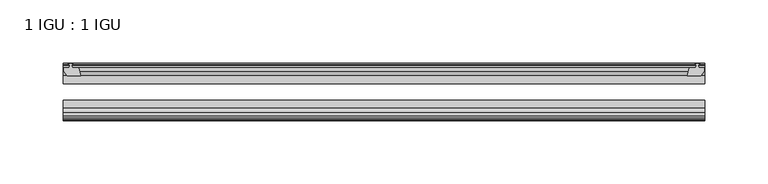
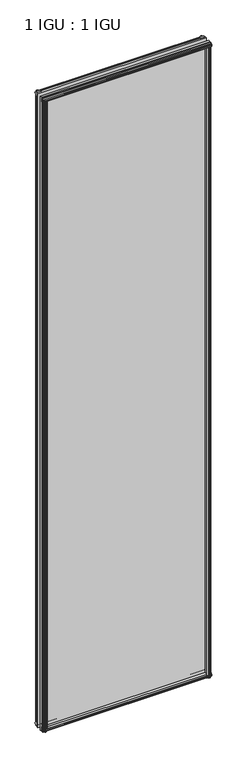
"""IFC4 building model written with IfcOpenShell, lengths in millimetres: plate geometry, 1 IGU : 1 IGU."""

import ifcopenshell
import ifcopenshell.guid

model = None  # the IFC model being written
_history = None  # IfcOwnerHistory: only IFC2X3 demands one
_inside = {}  # id of a spatial element -> (the spatial element, [elements in it])
_under = {}  # id of a project, library or spatial element -> (it, [spatial elements below it])
_declared = {}  # id of a project -> (the project, [libraries it declares])
_typed = {}  # id of a type object -> (the type object, [elements of that type])
_made_of = {}  # id of a material, layer set ... -> (it, [elements and type objects made of it])


def new_model(schema):
    """Start an empty IFC model of exactly this schema.

    Asked for "IFC4X3", IfcOpenShell would pick the latest addendum, in which some entities
    have other attributes; the version numbers below select the first issue.
    IFC2X3 requires an IfcOwnerHistory on every rooted entity: one is made here for all.
    """
    global model, _history
    if schema == "IFC4X3":
        model = ifcopenshell.file(schema_version=(4, 3, 0, 0))
    else:
        model = ifcopenshell.file(schema=schema)
    _inside.clear()
    _under.clear()
    _declared.clear()
    _typed.clear()
    _made_of.clear()
    _history = None
    if model.schema == "IFC2X3":
        org = make("IfcOrganization", Name="unknown")
        user = make(
            "IfcPersonAndOrganization",
            ThePerson=make("IfcPerson", FamilyName="unknown"),
            TheOrganization=org,
        )
        app = make(
            "IfcApplication",
            ApplicationDeveloper=org,
            Version="unknown",
            ApplicationFullName="unknown",
            ApplicationIdentifier="unknown",
        )
        _history = make(
            "IfcOwnerHistory",
            OwningUser=user,
            OwningApplication=app,
            ChangeAction="ADDED",
            CreationDate=0,
        )
    return model


def make(cls, **values):
    """One entity of the class cls with the attributes given. An attribute that is None is left unset."""
    return model.create_entity(
        cls, **{name: value for name, value in values.items() if value is not None}
    )


def rooted(cls, **values):
    """An entity with a GlobalId (a new one), such as an element, a storey or a relation."""
    return make(cls, GlobalId=ifcopenshell.guid.new(), OwnerHistory=_history, **values)


def si_unit(unit_type, name, prefix=None):
    """IfcSIUnit, for example si_unit("LENGTHUNIT", "METRE", prefix="MILLI")."""
    return make("IfcSIUnit", UnitType=unit_type, Prefix=prefix, Name=name)


def assignment(units):
    """IfcUnitAssignment: the units of a project."""
    return None if units is None else make("IfcUnitAssignment", Units=units)


def point(xyz):
    """IfcCartesianPoint."""
    return None if xyz is None else make("IfcCartesianPoint", Coordinates=xyz)


def direction(xyz):
    """IfcDirection."""
    return None if xyz is None else make("IfcDirection", DirectionRatios=xyz)


def frame(location, z_axis=None, x_axis=None):
    """IfcAxis2Placement3D, a coordinate frame: its origin and axes. An axis left out is left unset."""
    return make(
        "IfcAxis2Placement3D",
        Location=point(location),
        Axis=direction(z_axis),
        RefDirection=direction(x_axis),
    )


def origin():
    """The frame at (0, 0, 0) with its axes left unset."""
    return frame((0.0, 0.0, 0.0))


def place(relative_to, where):
    """IfcLocalPlacement: puts the frame where relative to a parent placement (None: the world)."""
    return make(
        "IfcLocalPlacement", PlacementRelTo=relative_to, RelativePlacement=where
    )


def context(
    kind, dimensions, precision=None, world=None, true_north=None, identifier=None
):
    """IfcGeometricRepresentationContext, for example the 3D "Model" context."""
    return make(
        "IfcGeometricRepresentationContext",
        ContextIdentifier=identifier,
        ContextType=kind,
        CoordinateSpaceDimension=dimensions,
        Precision=precision,
        WorldCoordinateSystem=world,
        TrueNorth=true_north,
    )


def project(units=None, contexts=None):
    """IfcProject with its units and contexts."""
    return rooted(
        "IfcProject",
        Name="project",
        RepresentationContexts=contexts,
        UnitsInContext=assignment(units),
    )


def spatial(cls, under=None, at=None, **own):
    """A site, building, storey or space (cls), placed at a placement, below another one or the project."""
    s = rooted(cls, ObjectPlacement=at, **own)
    if under is not None:
        _under.setdefault(under.id(), (under, []))[1].append(s)
    return s


def polyline(points):
    """IfcPolyline through the points."""
    return make("IfcPolyline", Points=[point(p) for p in points])


def outline(outer, holes=None, kind="AREA"):
    """IfcArbitraryClosedProfileDef: a profile drawn as a closed curve; with holes, ...WithVoids."""
    if holes is None:
        return make("IfcArbitraryClosedProfileDef", ProfileType=kind, OuterCurve=outer)
    return make(
        "IfcArbitraryProfileDefWithVoids",
        ProfileType=kind,
        OuterCurve=outer,
        InnerCurves=holes,
    )


def extrude(swept, where, along, depth):
    """IfcExtrudedAreaSolid: the profile swept, set in the frame where, extruded along a direction by depth."""
    return make(
        "IfcExtrudedAreaSolid",
        SweptArea=swept,
        Position=where,
        ExtrudedDirection=direction(along),
        Depth=depth,
    )


def shape(context_of_items, identifier, shape_type, items):
    """IfcShapeRepresentation: the items that make up one representation, for example the "Body"."""
    return make(
        "IfcShapeRepresentation",
        ContextOfItems=context_of_items,
        RepresentationIdentifier=identifier,
        RepresentationType=shape_type,
        Items=items,
    )


def source(mapping_origin, context_of_items, identifier, shape_type, items):
    """IfcRepresentationMap: a shape defined once, which mapped items show again and again."""
    return make(
        "IfcRepresentationMap",
        MappingOrigin=mapping_origin,
        MappedRepresentation=shape(context_of_items, identifier, shape_type, items),
    )


def transform(
    local_origin,
    x_axis=None,
    y_axis=None,
    z_axis=None,
    scale=None,
    scale2=None,
    scale3=None,
    uniform=True,
):
    """IfcCartesianTransformationOperator3D, or its non-uniform kind. x_axis, y_axis, z_axis: its Axis1, 2, 3."""
    if uniform:
        return make(
            "IfcCartesianTransformationOperator3D",
            Axis1=direction(x_axis),
            Axis2=direction(y_axis),
            LocalOrigin=point(local_origin),
            Scale=scale,
            Axis3=direction(z_axis),
        )
    return make(
        "IfcCartesianTransformationOperator3DnonUniform",
        Axis1=direction(x_axis),
        Axis2=direction(y_axis),
        LocalOrigin=point(local_origin),
        Scale=scale,
        Axis3=direction(z_axis),
        Scale2=scale2,
        Scale3=scale3,
    )


def mapped(mapping_source, mapping_target):
    """IfcMappedItem: shows the shape of a source again, moved by a transform."""
    return make(
        "IfcMappedItem", MappingSource=mapping_source, MappingTarget=mapping_target
    )


def made_of(thing, what):
    """Note that an element or type object is made of a material, layer set ...; save() writes the relation."""
    if what is not None:
        _made_of.setdefault(what.id(), (what, []))[1].append(thing)
    return thing


def element(
    cls,
    number,
    at=None,
    inside=None,
    cuts=None,
    type_object=None,
    material=None,
    context=None,
    identifier="Body",
    shape_type=None,
    held_by="IfcProductDefinitionShape",
    body=None,
    shapes=None,
    **own,
):
    """One element of the class cls, such as IfcWall. Its Tag is "e" and its number.

    at: its placement. inside: the storey or other place that contains it. cuts: it is an
    opening in that element (IfcRelVoidsElement). A single representation is given by context,
    identifier, shape_type and body (its items); several are given by shapes. held_by: the class
    of the entity that holds the representations. save() writes the other relations.
    """
    e = rooted(cls, Tag="e%d" % number, ObjectPlacement=at, **own)
    if body is not None:
        shapes = [shape(context, identifier, shape_type, body)]
    if shapes is not None:
        e.Representation = make(held_by, Representations=shapes)
    if inside is not None:
        _inside.setdefault(inside.id(), (inside, []))[1].append(e)
    if cuts is not None:
        rooted(
            "IfcRelVoidsElement", RelatingBuildingElement=cuts, RelatedOpeningElement=e
        )
    if type_object is not None:
        _typed.setdefault(type_object.id(), (type_object, []))[1].append(e)
    return made_of(e, material)


def aggregate(whole, parts):
    """IfcRelAggregates: a whole, such as a stair, and the parts it consists of."""
    return rooted("IfcRelAggregates", RelatingObject=whole, RelatedObjects=parts)


def save(model, path):
    """Write the relations noted so far, then the file.

    IfcRelAggregates (storeys below a building ...), IfcRelContainedInSpatialStructure (elements
    in a storey), IfcRelDefinesByType, IfcRelAssociatesMaterial and IfcRelDeclares: one each for
    every whole, place, type object, material and project.
    """
    for whole, parts in _under.values():
        aggregate(whole, parts)
    for where, things in _inside.values():
        rooted(
            "IfcRelContainedInSpatialStructure",
            RelatedElements=things,
            RelatingStructure=where,
        )
    for kind, things in _typed.values():
        rooted("IfcRelDefinesByType", RelatedObjects=things, RelatingType=kind)
    for what, things in _made_of.values():
        rooted("IfcRelAssociatesMaterial", RelatedObjects=things, RelatingMaterial=what)
    for by, libraries in _declared.values():
        rooted("IfcRelDeclares", RelatingContext=by, RelatedDefinitions=libraries)
    model.write(path)


def plate_1_igu_1_igu_b2fc7321(model_context):
    return source(origin(), model_context, "Body", "SweptSolid", [
        extrude(outline(polyline([(245.528151, -10.4746158), (247.70568, -9.7670938), (249.8832091, -10.4746158), (249.8832091, -11.27583), (248.46768, -10.8158968), (248.84868, -13.1960938), (253.29368, -13.1960938), (253.29368, -16.1424938), (250.4593378, -19.5460938), (239.6379619, -19.5460938), (241.35568, -13.1960938), (246.56268, -13.1960938), (246.94368, -10.8158968), (245.528151, -11.27583), (245.528151, -10.4746158)])), frame((0.0, 0.0, -12.4587), z_axis=(0.0, 0.0, 1.0), x_axis=(1.0, 0.0, 0.0)), (0.0, 0.0, 1.0), 2018.8173999),
        extrude(outline(polyline([(-247.70568, -9.7670937), (-245.528151, -10.4746158), (-245.528151, -11.27583), (-246.94368, -10.8158968), (-246.56268, -13.1960937), (-241.35568, -13.1960937), (-239.6379619, -19.5460937), (-250.4593378, -19.5460937), (-253.29368, -16.1424937), (-253.29368, -13.1960937), (-248.84868, -13.1960937), (-248.46768, -10.8158968), (-249.8832091, -11.27583), (-249.8832091, -10.4746158), (-247.70568, -9.7670937)])), frame((0.0, 0.0, -12.4587), z_axis=(0.0, 0.0, 1.0), x_axis=(1.0, 0.0, 0.0)), (0.0, 0.0, 1.0), 2018.8173999),
        extrude(outline(polyline([(239.1205639, -44.9460938), (249.9419398, -44.9460938), (252.776282, -48.3496938), (252.776282, -51.2960938), (248.331282, -51.2960938), (247.950282, -53.6762907), (249.365811, -53.2163575), (249.365811, -54.0175717), (247.188282, -54.7250938), (245.0107529, -54.0175717), (245.0107529, -53.2163575), (246.426282, -53.6762907), (246.045282, -51.2960938), (240.838282, -51.2960938), (239.1205639, -44.9460938)])), frame((0.0, 0.0, -12.4587), z_axis=(0.0, 0.0, 1.0), x_axis=(1.0, 0.0, 0.0)), (0.0, 0.0, 1.0), 2006.1173999),
        extrude(outline(polyline([(-239.1172619, -44.9460937), (-240.83498, -51.2960937), (-246.04198, -51.2960937), (-246.42298, -53.6762907), (-245.007451, -53.2163575), (-245.007451, -54.0175717), (-247.18498, -54.7250937), (-249.3625091, -54.0175717), (-249.3625091, -53.2163575), (-247.94698, -53.6762907), (-248.32798, -51.2960937), (-252.77298, -51.2960937), (-252.77298, -48.3496937), (-249.9386378, -44.9460937), (-239.1172619, -44.9460937)])), frame((0.0, 0.0, -12.4587), z_axis=(0.0, 0.0, 1.0), x_axis=(1.0, 0.0, 0.0)), (0.0, 0.0, 1.0), 2006.1173999),
        extrude(outline(polyline([(-10.4746158, -4.6931709), (-9.7670937, -6.8707), (-10.4746158, -9.0482291), (-11.27583, -9.0482291), (-10.8158968, -7.6327), (-13.1960937, -8.0137), (-13.1960937, -12.4587), (-16.1424937, -12.4587), (-19.5460937, -9.6243578), (-19.5460937, 1.1970181), (-13.1960937, -0.5207), (-13.1960937, -5.7277), (-10.8158968, -6.1087), (-11.27583, -4.6931709), (-10.4746158, -4.6931709)])), frame((-253.53498, 0.0, 0.0), z_axis=(1.0, 0.0, 0.0), x_axis=(0.0, 1.0, 0.0)), (0.0, 0.0, 1.0), 507.06996),
        extrude(outline(polyline([(-44.9460937, 1.7177181), (-44.9460937, -9.1036578), (-48.3496937, -11.938), (-51.2960937, -11.938), (-51.2960937, -7.493), (-53.6762907, -7.112), (-53.2163575, -8.5275291), (-54.0175717, -8.5275291), (-54.7250937, -6.35), (-54.0175717, -4.1724709), (-53.2163575, -4.1724709), (-53.6762907, -5.588), (-51.2960937, -5.207), (-51.2960937, 0.0), (-44.9460937, 1.7177181)])), frame((-253.53498, 0.0, 0.0), z_axis=(1.0, 0.0, 0.0), x_axis=(0.0, 1.0, 0.0)), (0.0, 0.0, 1.0), 507.06996),
        extrude(outline(polyline([(-10.8158968, 2001.5326999), (-11.27583, 2002.948229), (-10.4746158, 2002.948229), (-9.7670937, 2000.7706999), (-10.4746158, 1998.5931709), (-11.27583, 1998.5931709), (-10.8158968, 2000.0086999), (-13.1960937, 1999.6276999), (-13.1960937, 1994.4206999), (-19.5460938, 1992.7029819), (-19.5460938, 2003.5243578), (-16.1424937, 2006.3586999), (-13.1960937, 2006.3586999), (-13.1960937, 2001.9136999), (-10.8158968, 2001.5326999)])), frame((-253.53498, 0.0, 0.0), z_axis=(1.0, 0.0, 0.0), x_axis=(0.0, 1.0, 0.0)), (0.0, 0.0, 1.0), 507.06996),
        extrude(outline(polyline([(-51.2960937, 2005.8379999), (-48.3496937, 2005.8379999), (-44.9460938, 2003.0036578), (-44.9460938, 1992.1822819), (-51.2960937, 1993.8999999), (-51.2960937, 1999.1069999), (-53.6762907, 1999.4879999), (-53.2163575, 1998.0724709), (-54.0175717, 1998.0724709), (-54.7250937, 2000.2499999), (-54.0175717, 2002.427529), (-53.2163575, 2002.427529), (-53.6762907, 2001.0119999), (-51.2960937, 2001.3929999), (-51.2960937, 2005.8379999)])), frame((-253.53498, 0.0, 0.0), z_axis=(1.0, 0.0, 0.0), x_axis=(0.0, 1.0, 0.0)), (0.0, 0.0, 1.0), 507.06996),
        extrude(outline(polyline([(-253.53498, -38.9186738), (253.53498, -38.9186738), (253.53498, -44.9460937), (-253.53498, -44.9460937), (-253.53498, -38.9186738)])), frame((0.0, 0.0, -12.7), z_axis=(0.0, 0.0, 1.0), x_axis=(1.0, 0.0, 0.0)), (0.0, 0.0, 1.0), 2019.2999999),
        extrude(outline(polyline([(-253.53498, -19.5460937), (253.53498, -19.5460937), (253.53498, -25.8960938), (-253.53498, -25.8960938), (-253.53498, -19.5460937)])), frame((0.0, 0.0, -12.7), z_axis=(0.0, 0.0, 1.0), x_axis=(1.0, 0.0, 0.0)), (0.0, 0.0, 1.0), 2019.2999999),
    ])


if __name__ == "__main__":
    model = new_model("IFC4")
    model_context = context("Model", 3, world=origin())
    ifc_project = project(units=[si_unit("LENGTHUNIT", "METRE", prefix="MILLI")], contexts=[model_context])
    site = spatial("IfcSite", under=ifc_project)
    building = spatial("IfcBuilding", under=site)
    placement = place(None, origin())
    plate_1_igu_1_igu_shape = plate_1_igu_1_igu_b2fc7321(model_context)
    element("IfcPlate", 1, ObjectType="1 IGU : 1 IGU", at=placement, inside=building, context=model_context, shape_type="MappedRepresentation", body=[
        mapped(plate_1_igu_1_igu_shape, transform((0.0, 0.0, 0.0), x_axis=(1.0, 0.0, 0.0), y_axis=(0.0, 1.0, 0.0), z_axis=(0.0, 0.0, 1.0))),
    ])
    save(model, "model.ifc")
